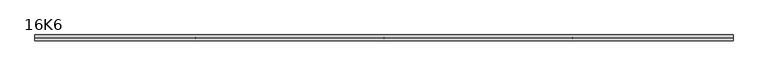
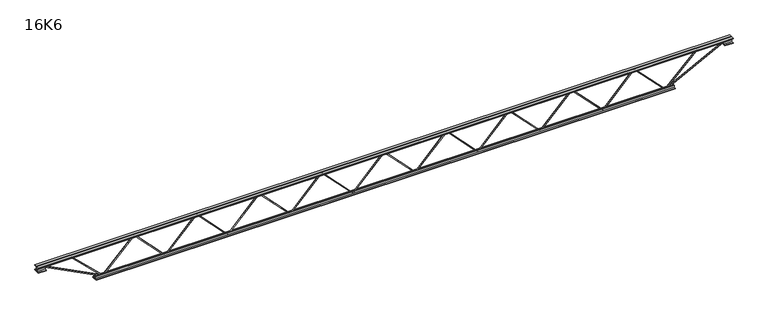
"""IFC4 building model written with IfcOpenShell, lengths in millimetres: beam geometry, 16K6."""

import ifcopenshell
import ifcopenshell.guid

model = None  # the IFC model being written
_history = None  # IfcOwnerHistory: only IFC2X3 demands one
_inside = {}  # id of a spatial element -> (the spatial element, [elements in it])
_under = {}  # id of a project, library or spatial element -> (it, [spatial elements below it])
_declared = {}  # id of a project -> (the project, [libraries it declares])
_typed = {}  # id of a type object -> (the type object, [elements of that type])
_made_of = {}  # id of a material, layer set ... -> (it, [elements and type objects made of it])


def new_model(schema):
    """Start an empty IFC model of exactly this schema.

    Asked for "IFC4X3", IfcOpenShell would pick the latest addendum, in which some entities
    have other attributes; the version numbers below select the first issue.
    IFC2X3 requires an IfcOwnerHistory on every rooted entity: one is made here for all.
    """
    global model, _history
    if schema == "IFC4X3":
        model = ifcopenshell.file(schema_version=(4, 3, 0, 0))
    else:
        model = ifcopenshell.file(schema=schema)
    _inside.clear()
    _under.clear()
    _declared.clear()
    _typed.clear()
    _made_of.clear()
    _history = None
    if model.schema == "IFC2X3":
        org = make("IfcOrganization", Name="unknown")
        user = make(
            "IfcPersonAndOrganization",
            ThePerson=make("IfcPerson", FamilyName="unknown"),
            TheOrganization=org,
        )
        app = make(
            "IfcApplication",
            ApplicationDeveloper=org,
            Version="unknown",
            ApplicationFullName="unknown",
            ApplicationIdentifier="unknown",
        )
        _history = make(
            "IfcOwnerHistory",
            OwningUser=user,
            OwningApplication=app,
            ChangeAction="ADDED",
            CreationDate=0,
        )
    return model


def make(cls, **values):
    """One entity of the class cls with the attributes given. An attribute that is None is left unset."""
    return model.create_entity(
        cls, **{name: value for name, value in values.items() if value is not None}
    )


def rooted(cls, **values):
    """An entity with a GlobalId (a new one), such as an element, a storey or a relation."""
    return make(cls, GlobalId=ifcopenshell.guid.new(), OwnerHistory=_history, **values)


def si_unit(unit_type, name, prefix=None):
    """IfcSIUnit, for example si_unit("LENGTHUNIT", "METRE", prefix="MILLI")."""
    return make("IfcSIUnit", UnitType=unit_type, Prefix=prefix, Name=name)


def assignment(units):
    """IfcUnitAssignment: the units of a project."""
    return None if units is None else make("IfcUnitAssignment", Units=units)


def point(xyz):
    """IfcCartesianPoint."""
    return None if xyz is None else make("IfcCartesianPoint", Coordinates=xyz)


def direction(xyz):
    """IfcDirection."""
    return None if xyz is None else make("IfcDirection", DirectionRatios=xyz)


def frame(location, z_axis=None, x_axis=None):
    """IfcAxis2Placement3D, a coordinate frame: its origin and axes. An axis left out is left unset."""
    return make(
        "IfcAxis2Placement3D",
        Location=point(location),
        Axis=direction(z_axis),
        RefDirection=direction(x_axis),
    )


def origin():
    """The frame at (0, 0, 0) with its axes left unset."""
    return frame((0.0, 0.0, 0.0))


def place(relative_to, where):
    """IfcLocalPlacement: puts the frame where relative to a parent placement (None: the world)."""
    return make(
        "IfcLocalPlacement", PlacementRelTo=relative_to, RelativePlacement=where
    )


def context(
    kind, dimensions, precision=None, world=None, true_north=None, identifier=None
):
    """IfcGeometricRepresentationContext, for example the 3D "Model" context."""
    return make(
        "IfcGeometricRepresentationContext",
        ContextIdentifier=identifier,
        ContextType=kind,
        CoordinateSpaceDimension=dimensions,
        Precision=precision,
        WorldCoordinateSystem=world,
        TrueNorth=true_north,
    )


def project(units=None, contexts=None):
    """IfcProject with its units and contexts."""
    return rooted(
        "IfcProject",
        Name="project",
        RepresentationContexts=contexts,
        UnitsInContext=assignment(units),
    )


def spatial(cls, under=None, at=None, **own):
    """A site, building, storey or space (cls), placed at a placement, below another one or the project."""
    s = rooted(cls, ObjectPlacement=at, **own)
    if under is not None:
        _under.setdefault(under.id(), (under, []))[1].append(s)
    return s


def polyline(points):
    """IfcPolyline through the points."""
    return make("IfcPolyline", Points=[point(p) for p in points])


def outline(outer, holes=None, kind="AREA"):
    """IfcArbitraryClosedProfileDef: a profile drawn as a closed curve; with holes, ...WithVoids."""
    if holes is None:
        return make("IfcArbitraryClosedProfileDef", ProfileType=kind, OuterCurve=outer)
    return make(
        "IfcArbitraryProfileDefWithVoids",
        ProfileType=kind,
        OuterCurve=outer,
        InnerCurves=holes,
    )


def extrude(swept, where, along, depth):
    """IfcExtrudedAreaSolid: the profile swept, set in the frame where, extruded along a direction by depth."""
    return make(
        "IfcExtrudedAreaSolid",
        SweptArea=swept,
        Position=where,
        ExtrudedDirection=direction(along),
        Depth=depth,
    )


def shape(context_of_items, identifier, shape_type, items):
    """IfcShapeRepresentation: the items that make up one representation, for example the "Body"."""
    return make(
        "IfcShapeRepresentation",
        ContextOfItems=context_of_items,
        RepresentationIdentifier=identifier,
        RepresentationType=shape_type,
        Items=items,
    )


def source(mapping_origin, context_of_items, identifier, shape_type, items):
    """IfcRepresentationMap: a shape defined once, which mapped items show again and again."""
    return make(
        "IfcRepresentationMap",
        MappingOrigin=mapping_origin,
        MappedRepresentation=shape(context_of_items, identifier, shape_type, items),
    )


def transform(
    local_origin,
    x_axis=None,
    y_axis=None,
    z_axis=None,
    scale=None,
    scale2=None,
    scale3=None,
    uniform=True,
):
    """IfcCartesianTransformationOperator3D, or its non-uniform kind. x_axis, y_axis, z_axis: its Axis1, 2, 3."""
    if uniform:
        return make(
            "IfcCartesianTransformationOperator3D",
            Axis1=direction(x_axis),
            Axis2=direction(y_axis),
            LocalOrigin=point(local_origin),
            Scale=scale,
            Axis3=direction(z_axis),
        )
    return make(
        "IfcCartesianTransformationOperator3DnonUniform",
        Axis1=direction(x_axis),
        Axis2=direction(y_axis),
        LocalOrigin=point(local_origin),
        Scale=scale,
        Axis3=direction(z_axis),
        Scale2=scale2,
        Scale3=scale3,
    )


def mapped(mapping_source, mapping_target):
    """IfcMappedItem: shows the shape of a source again, moved by a transform."""
    return make(
        "IfcMappedItem", MappingSource=mapping_source, MappingTarget=mapping_target
    )


def made_of(thing, what):
    """Note that an element or type object is made of a material, layer set ...; save() writes the relation."""
    if what is not None:
        _made_of.setdefault(what.id(), (what, []))[1].append(thing)
    return thing


def element(
    cls,
    number,
    at=None,
    inside=None,
    cuts=None,
    type_object=None,
    material=None,
    context=None,
    identifier="Body",
    shape_type=None,
    held_by="IfcProductDefinitionShape",
    body=None,
    shapes=None,
    **own,
):
    """One element of the class cls, such as IfcWall. Its Tag is "e" and its number.

    at: its placement. inside: the storey or other place that contains it. cuts: it is an
    opening in that element (IfcRelVoidsElement). A single representation is given by context,
    identifier, shape_type and body (its items); several are given by shapes. held_by: the class
    of the entity that holds the representations. save() writes the other relations.
    """
    e = rooted(cls, Tag="e%d" % number, ObjectPlacement=at, **own)
    if body is not None:
        shapes = [shape(context, identifier, shape_type, body)]
    if shapes is not None:
        e.Representation = make(held_by, Representations=shapes)
    if inside is not None:
        _inside.setdefault(inside.id(), (inside, []))[1].append(e)
    if cuts is not None:
        rooted(
            "IfcRelVoidsElement", RelatingBuildingElement=cuts, RelatedOpeningElement=e
        )
    if type_object is not None:
        _typed.setdefault(type_object.id(), (type_object, []))[1].append(e)
    return made_of(e, material)


def aggregate(whole, parts):
    """IfcRelAggregates: a whole, such as a stair, and the parts it consists of."""
    return rooted("IfcRelAggregates", RelatingObject=whole, RelatedObjects=parts)


def save(model, path):
    """Write the relations noted so far, then the file.

    IfcRelAggregates (storeys below a building ...), IfcRelContainedInSpatialStructure (elements
    in a storey), IfcRelDefinesByType, IfcRelAssociatesMaterial and IfcRelDeclares: one each for
    every whole, place, type object, material and project.
    """
    for whole, parts in _under.values():
        aggregate(whole, parts)
    for where, things in _inside.values():
        rooted(
            "IfcRelContainedInSpatialStructure",
            RelatedElements=things,
            RelatingStructure=where,
        )
    for kind, things in _typed.values():
        rooted("IfcRelDefinesByType", RelatedObjects=things, RelatingType=kind)
    for what, things in _made_of.values():
        rooted("IfcRelAssociatesMaterial", RelatedObjects=things, RelatingMaterial=what)
    for by, libraries in _declared.values():
        rooted("IfcRelDeclares", RelatingContext=by, RelatedDefinitions=libraries)
    model.write(path)


def beam_16k6_cb944bc9(model_context):
    return source(origin(), model_context, "Body", "SweptSolid", [
        extrude(outline(polyline([(-191.9, 1923.8888889), (-201.4, 1923.8888889), (-201.4, 1929.0852354), (191.9, 2307.5130131), (191.9, 2309.8203202), (-201.4, 2688.248098), (-201.4, 2693.4444444), (-191.9, 2693.4444444), (-191.9, 2692.2907909), (201.4, 2313.8630131), (201.4, 2303.4703202), (-191.9, 1925.0425424), (-191.9, 1923.8888889)])), frame((0.0, -4.75, 0.0), z_axis=(0.0, 1.0, 0.0), x_axis=(0.0, 0.0, 1.0)), (0.0, 0.0, 1.0), 9.5),
        extrude(outline(polyline([(-191.9, 1154.3333333), (-201.4, 1154.3333333), (-201.4, 1159.5296798), (191.9, 1537.9574576), (191.9, 1540.2647646), (-201.4, 1918.6925424), (-201.4, 1923.8888889), (-191.9, 1923.8888889), (-191.9, 1922.7352354), (201.4, 1544.3074576), (201.4, 1533.9147646), (-191.9, 1155.4869869), (-191.9, 1154.3333333)])), frame((0.0, -4.75, 0.0), z_axis=(0.0, 1.0, 0.0), x_axis=(0.0, 0.0, 1.0)), (0.0, 0.0, 1.0), 9.5),
        extrude(outline(polyline([(-191.9, 384.7777778), (-201.4, 384.7777778), (-201.4, 389.9741243), (191.9, 768.401902), (191.9, 770.7092091), (-201.4, 1149.1369869), (-201.4, 1154.3333333), (-191.9, 1154.3333333), (-191.9, 1153.1796798), (201.4, 774.751902), (201.4, 764.3592091), (-191.9, 385.9314313), (-191.9, 384.7777778)])), frame((0.0, -4.75, 0.0), z_axis=(0.0, 1.0, 0.0), x_axis=(0.0, 0.0, 1.0)), (0.0, 0.0, 1.0), 9.5),
        extrude(outline(polyline([(-191.9, -384.7777778), (-201.4, -384.7777778), (-201.4, -379.5814313), (191.9, -1.1536535), (191.9, 1.1536535), (-201.4, 379.5814313), (-201.4, 384.7777778), (-191.9, 384.7777778), (-191.9, 383.6241243), (201.4, 5.1963465), (201.4, -5.1963465), (-191.9, -383.6241243), (-191.9, -384.7777778)])), frame((0.0, -4.75, 0.0), z_axis=(0.0, 1.0, 0.0), x_axis=(0.0, 0.0, 1.0)), (0.0, 0.0, 1.0), 9.5),
        extrude(outline(polyline([(-191.9, -1154.3333333), (-201.4, -1154.3333333), (-201.4, -1149.1369869), (191.9, -770.7092091), (191.9, -768.401902), (-201.4, -389.9741243), (-201.4, -384.7777778), (-191.9, -384.7777778), (-191.9, -385.9314313), (201.4, -764.3592091), (201.4, -774.751902), (-191.9, -1153.1796798), (-191.9, -1154.3333333)])), frame((0.0, -4.75, 0.0), z_axis=(0.0, 1.0, 0.0), x_axis=(0.0, 0.0, 1.0)), (0.0, 0.0, 1.0), 9.5),
        extrude(outline(polyline([(-191.9, -1923.8888889), (-201.4, -1923.8888889), (-201.4, -1918.6925424), (191.9, -1540.2647646), (191.9, -1537.9574576), (-201.4, -1159.5296798), (-201.4, -1154.3333333), (-191.9, -1154.3333333), (-191.9, -1155.4869869), (201.4, -1533.9147646), (201.4, -1544.3074576), (-191.9, -1922.7352354), (-191.9, -1923.8888889)])), frame((0.0, -4.75, 0.0), z_axis=(0.0, 1.0, 0.0), x_axis=(0.0, 0.0, 1.0)), (0.0, 0.0, 1.0), 9.5),
        extrude(outline(polyline([(-191.9, -2693.4444444), (-201.4, -2693.4444444), (-201.4, -2688.248098), (191.9, -2309.8203202), (191.9, -2307.5130131), (-201.4, -1929.0852354), (-201.4, -1923.8888889), (-191.9, -1923.8888889), (-191.9, -1925.0425424), (201.4, -2303.4703202), (201.4, -2313.8630131), (-191.9, -2692.2907909), (-191.9, -2693.4444444)])), frame((0.0, -4.75, 0.0), z_axis=(0.0, 1.0, 0.0), x_axis=(0.0, 0.0, 1.0)), (0.0, 0.0, 1.0), 9.5),
        extrude(outline(polyline([(-191.9, 2693.4444444), (-201.4, 2693.4444444), (-201.4, 2698.6407909), (191.9, 3077.0685687), (191.9, 3079.3758757), (-201.4, 3457.8036535), (-201.4, 3463.0), (-191.9, 3463.0), (-191.9, 3461.8463465), (201.4, 3083.4185687), (201.4, 3073.0258757), (-191.9, 2694.598098), (-191.9, 2693.4444444)])), frame((0.0, -4.75, 0.0), z_axis=(0.0, 1.0, 0.0), x_axis=(0.0, 0.0, 1.0)), (0.0, 0.0, 1.0), 9.5),
        extrude(outline(polyline([(-191.9, -3463.0), (-201.4, -3463.0), (-201.4, -3457.8036535), (191.9, -3079.3758757), (191.9, -3077.0685687), (-201.4, -2698.6407909), (-201.4, -2693.4444444), (-191.9, -2693.4444444), (-191.9, -2694.598098), (201.4, -3073.0258757), (201.4, -3083.4185687), (-191.9, -3461.8463465), (-191.9, -3463.0)])), frame((0.0, -4.75, 0.0), z_axis=(0.0, 1.0, 0.0), x_axis=(0.0, 0.0, 1.0)), (0.0, 0.0, 1.0), 9.5),
        extrude(outline(polyline([(4.75, 203.0), (36.75, 203.0), (36.75, 196.5), (11.25, 196.5), (11.25, 171.0), (4.75, 171.0), (4.75, 203.0)])), frame((-4275.0, 0.0, 0.0), z_axis=(1.0, 0.0, 0.0), x_axis=(0.0, 1.0, 0.0)), (0.0, 0.0, 1.0), 8550.0),
        extrude(outline(polyline([(-4.75, 203.0), (-4.75, 171.0), (-11.25, 171.0), (-11.25, 196.5), (-36.75, 196.5), (-36.75, 203.0), (-4.75, 203.0)])), frame((-4275.0, 0.0, 0.0), z_axis=(1.0, 0.0, 0.0), x_axis=(0.0, 1.0, 0.0)), (0.0, 0.0, 1.0), 8550.0),
        extrude(outline(polyline([(-4.75, 139.5), (-36.75, 139.5), (-36.75, 146.0), (-11.25, 146.0), (-11.25, 171.0), (-4.75, 171.0), (-4.75, 139.5)])), frame((-4275.0, 0.0, 0.0), z_axis=(1.0, 0.0, 0.0), x_axis=(0.0, 1.0, 0.0)), (0.0, 0.0, 1.0), 100.0),
        extrude(outline(polyline([(36.75, 139.5), (4.75, 139.5), (4.75, 171.0), (11.25, 171.0), (11.25, 146.0), (36.75, 146.0), (36.75, 139.5)])), frame((-4275.0, 0.0, 0.0), z_axis=(1.0, 0.0, 0.0), x_axis=(0.0, 1.0, 0.0)), (0.0, 0.0, 1.0), 100.0),
        extrude(outline(polyline([(4.75, 139.5), (4.75, 171.0), (11.25, 171.0), (11.25, 146.0), (36.75, 146.0), (36.75, 139.5), (4.75, 139.5)])), frame((4175.0, 0.0, 0.0), z_axis=(1.0, 0.0, 0.0), x_axis=(0.0, 1.0, 0.0)), (0.0, 0.0, 1.0), 100.0),
        extrude(outline(polyline([(-4.75, 139.5), (-36.75, 139.5), (-36.75, 146.0), (-11.25, 146.0), (-11.25, 171.0), (-4.75, 171.0), (-4.75, 139.5)])), frame((4175.0, 0.0, 0.0), z_axis=(1.0, 0.0, 0.0), x_axis=(0.0, 1.0, 0.0)), (0.0, 0.0, 1.0), 100.0),
        extrude(outline(polyline([(4.75, -203.0), (4.75, -171.0), (11.25, -171.0), (11.25, -196.5), (36.75, -196.5), (36.75, -203.0), (4.75, -203.0)])), frame((-3563.0, 0.0, 0.0), z_axis=(1.0, 0.0, 0.0), x_axis=(0.0, 1.0, 0.0)), (0.0, 0.0, 1.0), 7126.0),
        extrude(outline(polyline([(-4.75, -203.0), (-36.75, -203.0), (-36.75, -196.5), (-11.25, -196.5), (-11.25, -171.0), (-4.75, -171.0), (-4.75, -203.0)])), frame((-3563.0, 0.0, 0.0), z_axis=(1.0, 0.0, 0.0), x_axis=(0.0, 1.0, 0.0)), (0.0, 0.0, 1.0), 7126.0),
        extrude(outline(polyline([(-200.8705467, -3465.1793315), (-192.4294533, -3460.8206685), (175.75, -4173.8460208), (175.75, -4275.0), (166.25, -4275.0), (166.25, -4176.1539792), (-200.8705467, -3465.1793315)])), frame((0.0, -4.75, 0.0), z_axis=(0.0, 1.0, 0.0), x_axis=(0.0, 0.0, 1.0)), (0.0, 0.0, 1.0), 9.5),
        extrude(outline(polyline([(188.7, -3867.7349206), (179.2, -3867.7349206), (179.2, -3856.9613826), (-200.0580933, -3466.3086856), (-193.2419067, -3459.6913144), (188.7, -3853.1084586), (188.7, -3867.7349206)])), frame((0.0, -4.75, 0.0), z_axis=(0.0, 1.0, 0.0), x_axis=(0.0, 0.0, 1.0)), (0.0, 0.0, 1.0), 9.5),
        extrude(outline(polyline([(0.0, -9.5), (0.0, 0.0), (801.3179909, 0.0), (801.3179909, -9.5), (0.0, -9.5)])), frame((4177.1793315, -4.75, 166.7794533), z_axis=(-0.4588066213244957, 0.0, 0.8885361468329811), x_axis=(-0.8885361468329811, 0.0, -0.4588066213244957)), (0.0, 0.0, 1.0), 9.5),
        extrude(outline(polyline([(0.0, -9.5), (0.0, 0.0), (560.4632387, 0.0), (560.4632387, -9.5), (0.0, -9.5)])), frame((3865.625333, -4.75, 193.265947), z_axis=(-0.7017409400326997, 0.0, 0.7124322094641868), x_axis=(-0.7124322094641868, 0.0, -0.7017409400326997)), (0.0, 0.0, 1.0), 9.5),
    ])


if __name__ == "__main__":
    model = new_model("IFC4")
    model_context = context("Model", 3, world=origin())
    ifc_project = project(units=[si_unit("LENGTHUNIT", "METRE", prefix="MILLI")], contexts=[model_context])
    site = spatial("IfcSite", under=ifc_project)
    building = spatial("IfcBuilding", under=site)
    placement = place(None, origin())
    beam_16k6_shape = beam_16k6_cb944bc9(model_context)
    element("IfcBeam", 1, ObjectType="16K6", at=placement, inside=building, context=model_context, shape_type="MappedRepresentation", body=[
        mapped(beam_16k6_shape, transform((0.0, 0.0, 0.0), x_axis=(1.0, 0.0, 0.0), y_axis=(0.0, 1.0, 0.0), z_axis=(0.0, 0.0, 1.0))),
    ])
    save(model, "model.ifc")
